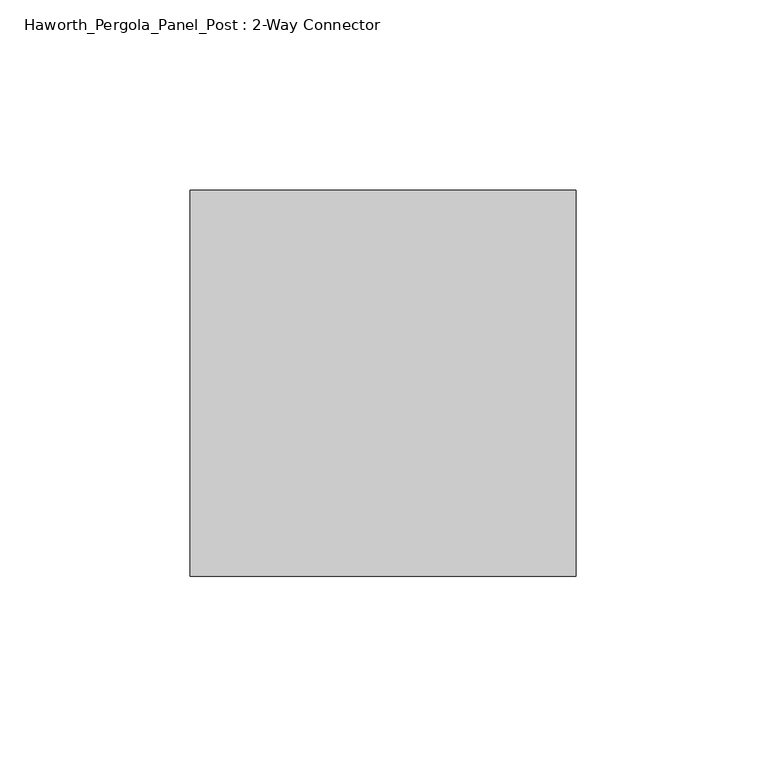
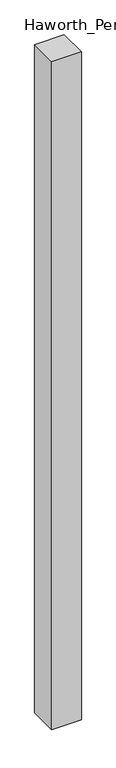
"""IFC4 building model written with IfcOpenShell, lengths in millimetres: furniture geometry, Haworth_Pergola_Panel_Post : 2-Way Connector."""

import ifcopenshell
import ifcopenshell.guid

model = None  # the IFC model being written
_history = None  # IfcOwnerHistory: only IFC2X3 demands one
_inside = {}  # id of a spatial element -> (the spatial element, [elements in it])
_under = {}  # id of a project, library or spatial element -> (it, [spatial elements below it])
_declared = {}  # id of a project -> (the project, [libraries it declares])
_typed = {}  # id of a type object -> (the type object, [elements of that type])
_made_of = {}  # id of a material, layer set ... -> (it, [elements and type objects made of it])


def new_model(schema):
    """Start an empty IFC model of exactly this schema.

    Asked for "IFC4X3", IfcOpenShell would pick the latest addendum, in which some entities
    have other attributes; the version numbers below select the first issue.
    IFC2X3 requires an IfcOwnerHistory on every rooted entity: one is made here for all.
    """
    global model, _history
    if schema == "IFC4X3":
        model = ifcopenshell.file(schema_version=(4, 3, 0, 0))
    else:
        model = ifcopenshell.file(schema=schema)
    _inside.clear()
    _under.clear()
    _declared.clear()
    _typed.clear()
    _made_of.clear()
    _history = None
    if model.schema == "IFC2X3":
        org = make("IfcOrganization", Name="unknown")
        user = make(
            "IfcPersonAndOrganization",
            ThePerson=make("IfcPerson", FamilyName="unknown"),
            TheOrganization=org,
        )
        app = make(
            "IfcApplication",
            ApplicationDeveloper=org,
            Version="unknown",
            ApplicationFullName="unknown",
            ApplicationIdentifier="unknown",
        )
        _history = make(
            "IfcOwnerHistory",
            OwningUser=user,
            OwningApplication=app,
            ChangeAction="ADDED",
            CreationDate=0,
        )
    return model


def make(cls, **values):
    """One entity of the class cls with the attributes given. An attribute that is None is left unset."""
    return model.create_entity(
        cls, **{name: value for name, value in values.items() if value is not None}
    )


def rooted(cls, **values):
    """An entity with a GlobalId (a new one), such as an element, a storey or a relation."""
    return make(cls, GlobalId=ifcopenshell.guid.new(), OwnerHistory=_history, **values)


def si_unit(unit_type, name, prefix=None):
    """IfcSIUnit, for example si_unit("LENGTHUNIT", "METRE", prefix="MILLI")."""
    return make("IfcSIUnit", UnitType=unit_type, Prefix=prefix, Name=name)


def assignment(units):
    """IfcUnitAssignment: the units of a project."""
    return None if units is None else make("IfcUnitAssignment", Units=units)


def point(xyz):
    """IfcCartesianPoint."""
    return None if xyz is None else make("IfcCartesianPoint", Coordinates=xyz)


def direction(xyz):
    """IfcDirection."""
    return None if xyz is None else make("IfcDirection", DirectionRatios=xyz)


def frame(location, z_axis=None, x_axis=None):
    """IfcAxis2Placement3D, a coordinate frame: its origin and axes. An axis left out is left unset."""
    return make(
        "IfcAxis2Placement3D",
        Location=point(location),
        Axis=direction(z_axis),
        RefDirection=direction(x_axis),
    )


def frame_2d(location, x_axis=None):
    """IfcAxis2Placement2D, a coordinate frame in the plane: its origin and x axis."""
    return make(
        "IfcAxis2Placement2D", Location=point(location), RefDirection=direction(x_axis)
    )


def origin():
    """The frame at (0, 0, 0) with its axes left unset."""
    return frame((0.0, 0.0, 0.0))


def origin_with_axes():
    """The frame at (0, 0, 0) with the z axis (0, 0, 1) and the x axis (1, 0, 0) written out."""
    return frame((0.0, 0.0, 0.0), z_axis=(0.0, 0.0, 1.0), x_axis=(1.0, 0.0, 0.0))


def place(relative_to, where):
    """IfcLocalPlacement: puts the frame where relative to a parent placement (None: the world)."""
    return make(
        "IfcLocalPlacement", PlacementRelTo=relative_to, RelativePlacement=where
    )


def context(
    kind, dimensions, precision=None, world=None, true_north=None, identifier=None
):
    """IfcGeometricRepresentationContext, for example the 3D "Model" context."""
    return make(
        "IfcGeometricRepresentationContext",
        ContextIdentifier=identifier,
        ContextType=kind,
        CoordinateSpaceDimension=dimensions,
        Precision=precision,
        WorldCoordinateSystem=world,
        TrueNorth=true_north,
    )


def project(units=None, contexts=None):
    """IfcProject with its units and contexts."""
    return rooted(
        "IfcProject",
        Name="project",
        RepresentationContexts=contexts,
        UnitsInContext=assignment(units),
    )


def spatial(cls, under=None, at=None, **own):
    """A site, building, storey or space (cls), placed at a placement, below another one or the project."""
    s = rooted(cls, ObjectPlacement=at, **own)
    if under is not None:
        _under.setdefault(under.id(), (under, []))[1].append(s)
    return s


def polyline(points):
    """IfcPolyline through the points."""
    return make("IfcPolyline", Points=[point(p) for p in points])


def circle_curve(where, radius):
    """IfcCircle in the frame where."""
    return make("IfcCircle", Position=where, Radius=radius)


def trimmed(basis, trim1, trim2, sense, master):
    """IfcTrimmedCurve: the piece of a basis curve between two trims."""
    return make(
        "IfcTrimmedCurve",
        BasisCurve=basis,
        Trim1=trim1,
        Trim2=trim2,
        SenseAgreement=sense,
        MasterRepresentation=master,
    )


def segment(curve, same_sense, transition):
    """IfcCompositeCurveSegment."""
    return make(
        "IfcCompositeCurveSegment",
        Transition=transition,
        SameSense=same_sense,
        ParentCurve=curve,
    )


def composite_curve(segments, self_intersect=None):
    """IfcCompositeCurve: segments joined end to end."""
    return make("IfcCompositeCurve", Segments=segments, SelfIntersect=self_intersect)


def outline(outer, holes=None, kind="AREA"):
    """IfcArbitraryClosedProfileDef: a profile drawn as a closed curve; with holes, ...WithVoids."""
    if holes is None:
        return make("IfcArbitraryClosedProfileDef", ProfileType=kind, OuterCurve=outer)
    return make(
        "IfcArbitraryProfileDefWithVoids",
        ProfileType=kind,
        OuterCurve=outer,
        InnerCurves=holes,
    )


def extrude(swept, where, along, depth):
    """IfcExtrudedAreaSolid: the profile swept, set in the frame where, extruded along a direction by depth."""
    return make(
        "IfcExtrudedAreaSolid",
        SweptArea=swept,
        Position=where,
        ExtrudedDirection=direction(along),
        Depth=depth,
    )


def shape(context_of_items, identifier, shape_type, items):
    """IfcShapeRepresentation: the items that make up one representation, for example the "Body"."""
    return make(
        "IfcShapeRepresentation",
        ContextOfItems=context_of_items,
        RepresentationIdentifier=identifier,
        RepresentationType=shape_type,
        Items=items,
    )


def source(mapping_origin, context_of_items, identifier, shape_type, items):
    """IfcRepresentationMap: a shape defined once, which mapped items show again and again."""
    return make(
        "IfcRepresentationMap",
        MappingOrigin=mapping_origin,
        MappedRepresentation=shape(context_of_items, identifier, shape_type, items),
    )


def transform(
    local_origin,
    x_axis=None,
    y_axis=None,
    z_axis=None,
    scale=None,
    scale2=None,
    scale3=None,
    uniform=True,
):
    """IfcCartesianTransformationOperator3D, or its non-uniform kind. x_axis, y_axis, z_axis: its Axis1, 2, 3."""
    if uniform:
        return make(
            "IfcCartesianTransformationOperator3D",
            Axis1=direction(x_axis),
            Axis2=direction(y_axis),
            LocalOrigin=point(local_origin),
            Scale=scale,
            Axis3=direction(z_axis),
        )
    return make(
        "IfcCartesianTransformationOperator3DnonUniform",
        Axis1=direction(x_axis),
        Axis2=direction(y_axis),
        LocalOrigin=point(local_origin),
        Scale=scale,
        Axis3=direction(z_axis),
        Scale2=scale2,
        Scale3=scale3,
    )


def mapped(mapping_source, mapping_target):
    """IfcMappedItem: shows the shape of a source again, moved by a transform."""
    return make(
        "IfcMappedItem", MappingSource=mapping_source, MappingTarget=mapping_target
    )


def made_of(thing, what):
    """Note that an element or type object is made of a material, layer set ...; save() writes the relation."""
    if what is not None:
        _made_of.setdefault(what.id(), (what, []))[1].append(thing)
    return thing


def element(
    cls,
    number,
    at=None,
    inside=None,
    cuts=None,
    type_object=None,
    material=None,
    context=None,
    identifier="Body",
    shape_type=None,
    held_by="IfcProductDefinitionShape",
    body=None,
    shapes=None,
    **own,
):
    """One element of the class cls, such as IfcWall. Its Tag is "e" and its number.

    at: its placement. inside: the storey or other place that contains it. cuts: it is an
    opening in that element (IfcRelVoidsElement). A single representation is given by context,
    identifier, shape_type and body (its items); several are given by shapes. held_by: the class
    of the entity that holds the representations. save() writes the other relations.
    """
    e = rooted(cls, Tag="e%d" % number, ObjectPlacement=at, **own)
    if body is not None:
        shapes = [shape(context, identifier, shape_type, body)]
    if shapes is not None:
        e.Representation = make(held_by, Representations=shapes)
    if inside is not None:
        _inside.setdefault(inside.id(), (inside, []))[1].append(e)
    if cuts is not None:
        rooted(
            "IfcRelVoidsElement", RelatingBuildingElement=cuts, RelatedOpeningElement=e
        )
    if type_object is not None:
        _typed.setdefault(type_object.id(), (type_object, []))[1].append(e)
    return made_of(e, material)


def aggregate(whole, parts):
    """IfcRelAggregates: a whole, such as a stair, and the parts it consists of."""
    return rooted("IfcRelAggregates", RelatingObject=whole, RelatedObjects=parts)


def save(model, path):
    """Write the relations noted so far, then the file.

    IfcRelAggregates (storeys below a building ...), IfcRelContainedInSpatialStructure (elements
    in a storey), IfcRelDefinesByType, IfcRelAssociatesMaterial and IfcRelDeclares: one each for
    every whole, place, type object, material and project.
    """
    for whole, parts in _under.values():
        aggregate(whole, parts)
    for where, things in _inside.values():
        rooted(
            "IfcRelContainedInSpatialStructure",
            RelatedElements=things,
            RelatingStructure=where,
        )
    for kind, things in _typed.values():
        rooted("IfcRelDefinesByType", RelatedObjects=things, RelatingType=kind)
    for what, things in _made_of.values():
        rooted("IfcRelAssociatesMaterial", RelatedObjects=things, RelatingMaterial=what)
    for by, libraries in _declared.values():
        rooted("IfcRelDeclares", RelatingContext=by, RelatedDefinitions=libraries)
    model.write(path)


def haworth_pergola_panel_post_2_way_connector_7bc44f38(model_context):
    return source(origin(), model_context, "Body", "SweptSolid", [
        extrude(outline(polyline([(88.9, 50.8), (88.9, -50.8), (-12.7, -50.8), (-12.7, 50.8), (88.9, 50.8)])), frame((0.0, 0.0, 12.7), z_axis=(0.0, 0.0, 1.0), x_axis=(1.0, 0.0, 0.0)), (0.0, 0.0, 1.0), 2425.7),
        extrude(outline(composite_curve([segment(trimmed(circle_curve(frame_2d((38.1, 0.0)), 19.0499983), [point((19.0500017, 0.0))], [point((57.1499983, 0.0))], False, "CARTESIAN"), True, "CONTINUOUS"), segment(trimmed(circle_curve(frame_2d((38.1, 0.0)), 19.0499983), [point((57.1499983, 0.0))], [point((19.0500017, 0.0))], False, "CARTESIAN"), True, "CONTINUOUS")], self_intersect=False)), origin_with_axes(), (0.0, 0.0, 1.0), 12.7),
    ])


if __name__ == "__main__":
    model = new_model("IFC4")
    model_context = context("Model", 3, world=origin())
    ifc_project = project(units=[si_unit("LENGTHUNIT", "METRE", prefix="MILLI")], contexts=[model_context])
    site = spatial("IfcSite", under=ifc_project)
    building = spatial("IfcBuilding", under=site)
    placement = place(None, origin())
    haworth_pergola_panel_post_2_way_connector_shape = haworth_pergola_panel_post_2_way_connector_7bc44f38(model_context)
    element("IfcFurniture", 1, ObjectType="Haworth_Pergola_Panel_Post : 2-Way Connector", at=placement, inside=building, context=model_context, shape_type="MappedRepresentation", body=[
        mapped(haworth_pergola_panel_post_2_way_connector_shape, transform((0.0, 0.0, 0.0), x_axis=(1.0, 0.0, 0.0), y_axis=(0.0, 1.0, 0.0), z_axis=(0.0, 0.0, 1.0))),
    ])
    save(model, "model.ifc")
